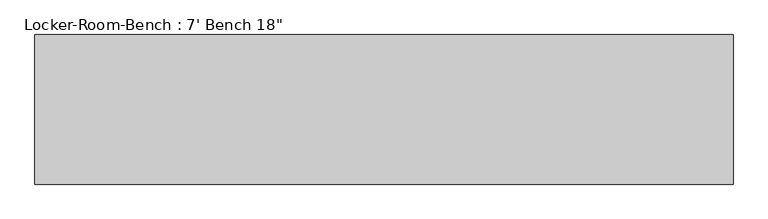
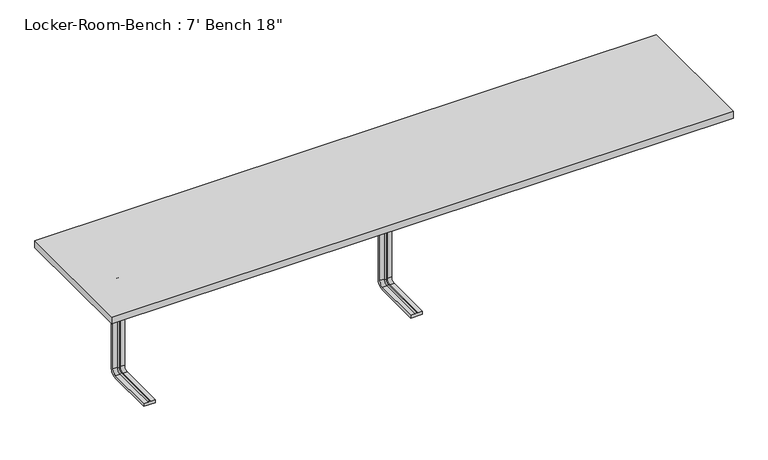
"""IFC4 building model written with IfcOpenShell, lengths in millimetres: proxy geometry."""

import ifcopenshell
import ifcopenshell.guid

model = None  # the IFC model being written
_history = None  # IfcOwnerHistory: only IFC2X3 demands one
_inside = {}  # id of a spatial element -> (the spatial element, [elements in it])
_under = {}  # id of a project, library or spatial element -> (it, [spatial elements below it])
_declared = {}  # id of a project -> (the project, [libraries it declares])
_typed = {}  # id of a type object -> (the type object, [elements of that type])
_made_of = {}  # id of a material, layer set ... -> (it, [elements and type objects made of it])


def new_model(schema):
    """Start an empty IFC model of exactly this schema.

    Asked for "IFC4X3", IfcOpenShell would pick the latest addendum, in which some entities
    have other attributes; the version numbers below select the first issue.
    IFC2X3 requires an IfcOwnerHistory on every rooted entity: one is made here for all.
    """
    global model, _history
    if schema == "IFC4X3":
        model = ifcopenshell.file(schema_version=(4, 3, 0, 0))
    else:
        model = ifcopenshell.file(schema=schema)
    _inside.clear()
    _under.clear()
    _declared.clear()
    _typed.clear()
    _made_of.clear()
    _history = None
    if model.schema == "IFC2X3":
        org = make("IfcOrganization", Name="unknown")
        user = make(
            "IfcPersonAndOrganization",
            ThePerson=make("IfcPerson", FamilyName="unknown"),
            TheOrganization=org,
        )
        app = make(
            "IfcApplication",
            ApplicationDeveloper=org,
            Version="unknown",
            ApplicationFullName="unknown",
            ApplicationIdentifier="unknown",
        )
        _history = make(
            "IfcOwnerHistory",
            OwningUser=user,
            OwningApplication=app,
            ChangeAction="ADDED",
            CreationDate=0,
        )
    return model


def make(cls, **values):
    """One entity of the class cls with the attributes given. An attribute that is None is left unset."""
    return model.create_entity(
        cls, **{name: value for name, value in values.items() if value is not None}
    )


def rooted(cls, **values):
    """An entity with a GlobalId (a new one), such as an element, a storey or a relation."""
    return make(cls, GlobalId=ifcopenshell.guid.new(), OwnerHistory=_history, **values)


def si_unit(unit_type, name, prefix=None):
    """IfcSIUnit, for example si_unit("LENGTHUNIT", "METRE", prefix="MILLI")."""
    return make("IfcSIUnit", UnitType=unit_type, Prefix=prefix, Name=name)


def assignment(units):
    """IfcUnitAssignment: the units of a project."""
    return None if units is None else make("IfcUnitAssignment", Units=units)


def point(xyz):
    """IfcCartesianPoint."""
    return None if xyz is None else make("IfcCartesianPoint", Coordinates=xyz)


def direction(xyz):
    """IfcDirection."""
    return None if xyz is None else make("IfcDirection", DirectionRatios=xyz)


def frame(location, z_axis=None, x_axis=None):
    """IfcAxis2Placement3D, a coordinate frame: its origin and axes. An axis left out is left unset."""
    return make(
        "IfcAxis2Placement3D",
        Location=point(location),
        Axis=direction(z_axis),
        RefDirection=direction(x_axis),
    )


def origin():
    """The frame at (0, 0, 0) with its axes left unset."""
    return frame((0.0, 0.0, 0.0))


def place(relative_to, where):
    """IfcLocalPlacement: puts the frame where relative to a parent placement (None: the world)."""
    return make(
        "IfcLocalPlacement", PlacementRelTo=relative_to, RelativePlacement=where
    )


def context(
    kind, dimensions, precision=None, world=None, true_north=None, identifier=None
):
    """IfcGeometricRepresentationContext, for example the 3D "Model" context."""
    return make(
        "IfcGeometricRepresentationContext",
        ContextIdentifier=identifier,
        ContextType=kind,
        CoordinateSpaceDimension=dimensions,
        Precision=precision,
        WorldCoordinateSystem=world,
        TrueNorth=true_north,
    )


def project(units=None, contexts=None):
    """IfcProject with its units and contexts."""
    return rooted(
        "IfcProject",
        Name="project",
        RepresentationContexts=contexts,
        UnitsInContext=assignment(units),
    )


def spatial(cls, under=None, at=None, **own):
    """A site, building, storey or space (cls), placed at a placement, below another one or the project."""
    s = rooted(cls, ObjectPlacement=at, **own)
    if under is not None:
        _under.setdefault(under.id(), (under, []))[1].append(s)
    return s


def polyline(points):
    """IfcPolyline through the points."""
    return make("IfcPolyline", Points=[point(p) for p in points])


def circle_curve(where, radius):
    """IfcCircle in the frame where."""
    return make("IfcCircle", Position=where, Radius=radius)


def ellipse_curve(where, semi_axis1, semi_axis2):
    """IfcEllipse in the frame where."""
    return make(
        "IfcEllipse", Position=where, SemiAxis1=semi_axis1, SemiAxis2=semi_axis2
    )


def trimmed(basis, trim1, trim2, sense, master):
    """IfcTrimmedCurve: the piece of a basis curve between two trims."""
    return make(
        "IfcTrimmedCurve",
        BasisCurve=basis,
        Trim1=trim1,
        Trim2=trim2,
        SenseAgreement=sense,
        MasterRepresentation=master,
    )


def outline(outer, holes=None, kind="AREA"):
    """IfcArbitraryClosedProfileDef: a profile drawn as a closed curve; with holes, ...WithVoids."""
    if holes is None:
        return make("IfcArbitraryClosedProfileDef", ProfileType=kind, OuterCurve=outer)
    return make(
        "IfcArbitraryProfileDefWithVoids",
        ProfileType=kind,
        OuterCurve=outer,
        InnerCurves=holes,
    )


def extrude(swept, where, along, depth):
    """IfcExtrudedAreaSolid: the profile swept, set in the frame where, extruded along a direction by depth."""
    return make(
        "IfcExtrudedAreaSolid",
        SweptArea=swept,
        Position=where,
        ExtrudedDirection=direction(along),
        Depth=depth,
    )


def shape(context_of_items, identifier, shape_type, items):
    """IfcShapeRepresentation: the items that make up one representation, for example the "Body"."""
    return make(
        "IfcShapeRepresentation",
        ContextOfItems=context_of_items,
        RepresentationIdentifier=identifier,
        RepresentationType=shape_type,
        Items=items,
    )


def source(mapping_origin, context_of_items, identifier, shape_type, items):
    """IfcRepresentationMap: a shape defined once, which mapped items show again and again."""
    return make(
        "IfcRepresentationMap",
        MappingOrigin=mapping_origin,
        MappedRepresentation=shape(context_of_items, identifier, shape_type, items),
    )


def transform(
    local_origin,
    x_axis=None,
    y_axis=None,
    z_axis=None,
    scale=None,
    scale2=None,
    scale3=None,
    uniform=True,
):
    """IfcCartesianTransformationOperator3D, or its non-uniform kind. x_axis, y_axis, z_axis: its Axis1, 2, 3."""
    if uniform:
        return make(
            "IfcCartesianTransformationOperator3D",
            Axis1=direction(x_axis),
            Axis2=direction(y_axis),
            LocalOrigin=point(local_origin),
            Scale=scale,
            Axis3=direction(z_axis),
        )
    return make(
        "IfcCartesianTransformationOperator3DnonUniform",
        Axis1=direction(x_axis),
        Axis2=direction(y_axis),
        LocalOrigin=point(local_origin),
        Scale=scale,
        Axis3=direction(z_axis),
        Scale2=scale2,
        Scale3=scale3,
    )


def mapped(mapping_source, mapping_target):
    """IfcMappedItem: shows the shape of a source again, moved by a transform."""
    return make(
        "IfcMappedItem", MappingSource=mapping_source, MappingTarget=mapping_target
    )


def made_of(thing, what):
    """Note that an element or type object is made of a material, layer set ...; save() writes the relation."""
    if what is not None:
        _made_of.setdefault(what.id(), (what, []))[1].append(thing)
    return thing


def element(
    cls,
    number,
    at=None,
    inside=None,
    cuts=None,
    type_object=None,
    material=None,
    context=None,
    identifier="Body",
    shape_type=None,
    held_by="IfcProductDefinitionShape",
    body=None,
    shapes=None,
    **own,
):
    """One element of the class cls, such as IfcWall. Its Tag is "e" and its number.

    at: its placement. inside: the storey or other place that contains it. cuts: it is an
    opening in that element (IfcRelVoidsElement). A single representation is given by context,
    identifier, shape_type and body (its items); several are given by shapes. held_by: the class
    of the entity that holds the representations. save() writes the other relations.
    """
    e = rooted(cls, Tag="e%d" % number, ObjectPlacement=at, **own)
    if body is not None:
        shapes = [shape(context, identifier, shape_type, body)]
    if shapes is not None:
        e.Representation = make(held_by, Representations=shapes)
    if inside is not None:
        _inside.setdefault(inside.id(), (inside, []))[1].append(e)
    if cuts is not None:
        rooted(
            "IfcRelVoidsElement", RelatingBuildingElement=cuts, RelatedOpeningElement=e
        )
    if type_object is not None:
        _typed.setdefault(type_object.id(), (type_object, []))[1].append(e)
    return made_of(e, material)


def aggregate(whole, parts):
    """IfcRelAggregates: a whole, such as a stair, and the parts it consists of."""
    return rooted("IfcRelAggregates", RelatingObject=whole, RelatedObjects=parts)


def save(model, path):
    """Write the relations noted so far, then the file.

    IfcRelAggregates (storeys below a building ...), IfcRelContainedInSpatialStructure (elements
    in a storey), IfcRelDefinesByType, IfcRelAssociatesMaterial and IfcRelDeclares: one each for
    every whole, place, type object, material and project.
    """
    for whole, parts in _under.values():
        aggregate(whole, parts)
    for where, things in _inside.values():
        rooted(
            "IfcRelContainedInSpatialStructure",
            RelatedElements=things,
            RelatingStructure=where,
        )
    for kind, things in _typed.values():
        rooted("IfcRelDefinesByType", RelatedObjects=things, RelatingType=kind)
    for what, things in _made_of.values():
        rooted("IfcRelAssociatesMaterial", RelatedObjects=things, RelatingMaterial=what)
    for by, libraries in _declared.values():
        rooted("IfcRelDeclares", RelatingContext=by, RelatedDefinitions=libraries)
    model.write(path)


def plane_surface(at):
    """IfcPlane: the flat surface through the origin of the frame at, square to its z axis."""
    return make("IfcPlane", Position=at)


def cylinder_surface(at, radius):
    """IfcCylindricalSurface: all points at the distance radius from the z axis of the frame at."""
    return make("IfcCylindricalSurface", Position=at, Radius=radius)


def revolved_surface(curve, axis_point, axis_direction):
    """IfcSurfaceOfRevolution: the curve turned about the line through axis_point along axis_direction."""
    return make(
        "IfcSurfaceOfRevolution",
        SweptCurve=make("IfcArbitraryOpenProfileDef", ProfileType="CURVE", Curve=curve),
        AxisPosition=make("IfcAxis1Placement", Location=point(axis_point), Axis=direction(axis_direction)),
    )


def advanced_brep(points, edges, surfaces, faces):
    """IfcAdvancedBrep: a solid bounded by faces that lie on surfaces and meet in shared edges.

    An edge is (start, end): straight between two places in points (the first is 0);
    or (start, end, curve); or (start, end, curve, False) where it runs against its curve.
    A face is (place in surfaces, loops), or (place, loops, False) where it looks against
    its surface's normal. A loop lists edges by number (the first is 1), with a minus sign
    where the edge is run from its end to its start. The first loop is the outer one.
    """
    corners = [point(p) for p in points]
    vertices = [make("IfcVertexPoint", VertexGeometry=c) for c in corners]
    made = []
    for start, end, *more in edges:
        made.append(
            make(
                "IfcEdgeCurve",
                EdgeStart=vertices[start],
                EdgeEnd=vertices[end],
                EdgeGeometry=more[0] if more else make("IfcPolyline", Points=[corners[start], corners[end]]),
                SameSense=more[1] if len(more) > 1 else True,
            )
        )
    hull = []
    for where, loops, *sense in faces:
        bounds = []
        for j, loop in enumerate(loops):
            ring = [make("IfcOrientedEdge", EdgeElement=made[abs(k) - 1], Orientation=k > 0) for k in loop]
            bounds.append(
                make(
                    "IfcFaceOuterBound" if j == 0 else "IfcFaceBound",
                    Bound=make("IfcEdgeLoop", EdgeList=ring),
                    Orientation=True,
                )
            )
        hull.append(make("IfcAdvancedFace", Bounds=bounds, FaceSurface=surfaces[where], SameSense=sense[0] if sense else True))
    return make("IfcAdvancedBrep", Outer=make("IfcClosedShell", CfsFaces=hull))


def proxy_6e2b5f65(model_context):
    return source(origin(), model_context, "Body", "SolidModel", [
        advanced_brep(
        [(-896.8, -193.6, 381.4), (-936.8, -193.6, 381.4), (-936.8, -193.6, 371.4), (-921.8, -193.6, 371.4), (-916.8, -193.6, 369.0684617), (-911.8, -193.6, 371.4), (-896.8, -193.6, 371.4), (-896.8, -25.0, 381.4), (-936.8, -25.0, 381.4), (-936.8, 0.0, 356.4), (-936.8, 0.0, 40.0), (-936.8, -25.0, 15.0), (-936.8, -193.6, 15.0), (-936.8, -193.6, 25.0), (-936.8, -25.0, 25.0), (-936.8, -10.0, 40.0), (-936.8, -10.0, 356.4), (-936.8, -25.0, 371.4), (-921.8, -25.0, 371.4), (-916.8, -25.0, 369.0684617), (-911.8, -25.0, 371.4), (-896.8, -25.0, 371.4), (-896.8, -10.0, 356.4), (-896.8, -10.0, 40.0), (-896.8, -25.0, 25.0), (-896.8, -193.6, 25.0), (-896.8, -193.6, 15.0), (-896.8, -25.0, 15.0), (-896.8, 0.0, 40.0), (-896.8, 0.0, 356.4), (-921.8, -10.0, 356.4), (-916.8, -12.3315383, 356.4), (-911.8, -10.0, 356.4), (-921.8, -10.0, 40.0), (-916.8, -12.3315383, 40.0), (-911.8, -10.0, 40.0), (-921.8, -25.0, 25.0), (-916.8, -25.0, 27.3315383), (-911.8, -25.0, 25.0), (-911.8, -193.6, 25.0), (-916.8, -193.6, 27.3315383), (-921.8, -193.6, 25.0)],
        [
            (0, 1),
            (1, 2),
            (2, 3),
            (3, 4, circle_curve(frame((-917.0996409, -193.6, 374.9529162), z_axis=(0.0, -1.0, 0.0), x_axis=(0.0, 0.0, 1.0)), 5.8920785)),
            (4, 5, circle_curve(frame((-916.5003591, -193.6, 374.9529162), z_axis=(0.0, -1.0, 0.0), x_axis=(0.0, 0.0, 1.0)), 5.8920785)),
            (5, 6),
            (6, 0),
            (0, 7),
            (7, 8),
            (8, 1),
            (8, 9, circle_curve(frame((-936.8, -25.0, 356.4), z_axis=(-1.0, 0.0, 0.0), x_axis=(0.0, 0.0, 1.0)), 25.0)),
            (9, 10),
            (10, 11, circle_curve(frame((-936.8, -25.0, 40.0), z_axis=(-1.0, 0.0, 0.0), x_axis=(0.0, 1.0, 0.0)), 25.0)),
            (11, 12),
            (12, 13),
            (13, 14),
            (14, 15, circle_curve(frame((-936.8, -25.0, 40.0), z_axis=(1.0, 0.0, 0.0), x_axis=(0.0, 1.0, 0.0)), 15.0)),
            (15, 16),
            (16, 17, circle_curve(frame((-936.8, -25.0, 356.4), z_axis=(1.0, 0.0, 0.0), x_axis=(0.0, 0.0, 1.0)), 15.0)),
            (17, 2),
            (17, 18),
            (18, 3),
            (18, 19, circle_curve(frame((-917.0996409, -25.0, 374.9529162), z_axis=(0.0, -1.0, 0.0), x_axis=(0.0, 0.0, 1.0)), 5.8920785)),
            (19, 4),
            (19, 20, circle_curve(frame((-916.5003591, -25.0, 374.9529162), z_axis=(0.0, -1.0, 0.0), x_axis=(0.0, 0.0, 1.0)), 5.8920785)),
            (20, 5),
            (20, 21),
            (21, 6),
            (21, 22, circle_curve(frame((-896.8, -25.0, 356.4), z_axis=(-1.0, 0.0, 0.0), x_axis=(0.0, 0.0, 1.0)), 15.0)),
            (22, 23),
            (23, 24, circle_curve(frame((-896.8, -25.0, 40.0), z_axis=(-1.0, 0.0, 0.0), x_axis=(0.0, 1.0, 0.0)), 15.0)),
            (24, 25),
            (25, 26),
            (26, 27),
            (27, 28, circle_curve(frame((-896.8, -25.0, 40.0), z_axis=(1.0, 0.0, 0.0), x_axis=(0.0, 1.0, 0.0)), 25.0)),
            (28, 29),
            (29, 7, circle_curve(frame((-896.8, -25.0, 356.4), z_axis=(1.0, 0.0, 0.0), x_axis=(0.0, 0.0, 1.0)), 25.0)),
            (29, 9),
            (30, 18, circle_curve(frame((-921.8, -25.0, 356.4), z_axis=(1.0, 0.0, 0.0), x_axis=(0.0, 0.0, 1.0)), 15.0)),
            (16, 30),
            (31, 19, circle_curve(frame((-916.8, -25.0, 356.4), z_axis=(1.0, 0.0, 0.0), x_axis=(0.0, 0.0, 1.0)), 12.6684617)),
            (30, 31, circle_curve(frame((-917.0996409, -6.4470838, 356.4), z_axis=(0.0, 0.0, 1.0), x_axis=(0.0, 1.0, 0.0)), 5.8920785)),
            (32, 20, circle_curve(frame((-911.8, -25.0, 356.4), z_axis=(1.0, 0.0, 0.0), x_axis=(0.0, 0.0, 1.0)), 15.0)),
            (31, 32, circle_curve(frame((-916.5003591, -6.4470838, 356.4), z_axis=(0.0, 0.0, 1.0), x_axis=(0.0, 1.0, 0.0)), 5.8920785)),
            (32, 22),
            (28, 10),
            (15, 33),
            (33, 30),
            (33, 34, circle_curve(frame((-917.0996409, -6.4470838, 40.0), z_axis=(0.0, 0.0, 1.0), x_axis=(0.0, 1.0, 0.0)), 5.8920785)),
            (34, 31),
            (34, 35, circle_curve(frame((-916.5003591, -6.4470838, 40.0), z_axis=(0.0, 0.0, 1.0), x_axis=(0.0, 1.0, 0.0)), 5.8920785)),
            (35, 32),
            (35, 23),
            (27, 11),
            (36, 33, circle_curve(frame((-921.8, -25.0, 40.0), z_axis=(1.0, 0.0, 0.0), x_axis=(0.0, 1.0, 0.0)), 15.0)),
            (14, 36),
            (37, 34, circle_curve(frame((-916.8, -25.0, 40.0), z_axis=(1.0, 0.0, 0.0), x_axis=(0.0, 1.0, 0.0)), 12.6684617)),
            (36, 37, circle_curve(frame((-917.0996409, -25.0, 21.4470838), z_axis=(0.0, 1.0, 0.0), x_axis=(0.0, 0.0, -1.0)), 5.8920785)),
            (38, 35, circle_curve(frame((-911.8, -25.0, 40.0), z_axis=(1.0, 0.0, 0.0), x_axis=(0.0, 1.0, 0.0)), 15.0)),
            (37, 38, circle_curve(frame((-916.5003591, -25.0, 21.4470838), z_axis=(0.0, 1.0, 0.0), x_axis=(0.0, 0.0, -1.0)), 5.8920785)),
            (38, 24),
            (25, 39),
            (39, 40, circle_curve(frame((-916.5003591, -193.6, 21.4470838), z_axis=(0.0, -1.0, 0.0), x_axis=(0.0, 0.0, -1.0)), 5.8920785)),
            (40, 41, circle_curve(frame((-917.0996409, -193.6, 21.4470838), z_axis=(0.0, -1.0, 0.0), x_axis=(0.0, 0.0, -1.0)), 5.8920785)),
            (41, 13),
            (12, 26),
            (41, 36),
            (40, 37),
            (39, 38),
        ],
        [
            plane_surface(frame((-916.8, -193.6, 381.4), z_axis=(0.0, -1.0, 0.0), x_axis=(1.0, 0.0, 0.0))),
            plane_surface(frame((-896.8, -193.6, 381.4), z_axis=(0.0, 0.0, 1.0), x_axis=(0.0, 1.0, 0.0))),
            plane_surface(frame((-936.8, -193.6, 381.4), z_axis=(-1.0, 0.0, 0.0), x_axis=(0.0, 1.0, 0.0))),
            plane_surface(frame((-936.8, -193.6, 371.4), z_axis=(0.0, 0.0, -1.0), x_axis=(0.0, 1.0, 0.0))),
            cylinder_surface(frame((-917.0996409, -193.6, 374.9529162), z_axis=(0.0, -1.0, 0.0), x_axis=(0.0, 0.0, 1.0)), 5.8920785),
            cylinder_surface(frame((-916.5003591, -193.6, 374.9529162), z_axis=(0.0, -1.0, 0.0), x_axis=(0.0, 0.0, 1.0)), 5.8920785),
            plane_surface(frame((-911.8, -193.6, 371.4), z_axis=(0.0, 0.0, -1.0), x_axis=(0.0, 1.0, 0.0))),
            plane_surface(frame((-896.8, -193.6, 371.4), z_axis=(1.0, 0.0, 0.0), x_axis=(0.0, 1.0, 0.0))),
            cylinder_surface(frame((-916.8, -25.0, 356.4), z_axis=(-1.0, 0.0, 0.0), x_axis=(0.0, 0.0, 1.0)), 25.0),
            revolved_surface(polyline([(-936.8, -25.0, 371.4), (-921.8, -25.0, 371.4)]), (-916.8, -25.0, 356.4), (-1.0, 0.0, 0.0)),
            revolved_surface(trimmed(ellipse_curve(frame((-917.0996409, -25.0, 374.9529162), z_axis=(0.0, -1.0, 0.0), x_axis=(0.0, 0.0, 1.0)), 5.8920785, 5.8920785), [point((-921.8, -25.0, 371.4))], [point((-916.8, -25.0, 369.0684617))], True, "CARTESIAN"), (-916.8, -25.0, 356.4), (-1.0, 0.0, 0.0)),
            revolved_surface(trimmed(ellipse_curve(frame((-916.5003591, -25.0, 374.9529162), z_axis=(0.0, -1.0, 0.0), x_axis=(0.0, 0.0, 1.0)), 5.8920785, 5.8920785), [point((-916.8, -25.0, 369.0684617))], [point((-911.8, -25.0, 371.4))], True, "CARTESIAN"), (-916.8, -25.0, 356.4), (-1.0, 0.0, 0.0)),
            revolved_surface(polyline([(-911.8, -25.0, 371.4), (-896.8, -25.0, 371.4)]), (-916.8, -25.0, 356.4), (-1.0, 0.0, 0.0)),
            plane_surface(frame((-896.8, 0.0, 356.4), z_axis=(0.0, 1.0, 0.0), x_axis=(0.0, 0.0, -1.0))),
            plane_surface(frame((-936.8, -10.0, 356.4), z_axis=(0.0, -1.0, 0.0), x_axis=(0.0, 0.0, -1.0))),
            cylinder_surface(frame((-917.0996409, -6.4470838, 356.4), z_axis=(0.0, 0.0, 1.0), x_axis=(0.0, 1.0, 0.0)), 5.8920785),
            cylinder_surface(frame((-916.5003591, -6.4470838, 356.4), z_axis=(0.0, 0.0, 1.0), x_axis=(0.0, 1.0, 0.0)), 5.8920785),
            plane_surface(frame((-911.8, -10.0, 356.4), z_axis=(0.0, -1.0, 0.0), x_axis=(0.0, 0.0, -1.0))),
            cylinder_surface(frame((-916.8, -25.0, 40.0), z_axis=(-1.0, 0.0, 0.0), x_axis=(0.0, 1.0, 0.0)), 25.0),
            revolved_surface(polyline([(-936.8, -10.0, 40.0), (-921.8, -10.0, 40.0)]), (-916.8, -25.0, 40.0), (-1.0, 0.0, 0.0)),
            revolved_surface(trimmed(ellipse_curve(frame((-917.0996409, -6.4470838, 40.0), z_axis=(0.0, 0.0, 1.0), x_axis=(0.0, 1.0, 0.0)), 5.8920785, 5.8920785), [point((-921.8, -10.0, 40.0))], [point((-916.8, -12.3315383, 40.0))], True, "CARTESIAN"), (-916.8, -25.0, 40.0), (-1.0, 0.0, 0.0)),
            revolved_surface(trimmed(ellipse_curve(frame((-916.5003591, -6.4470838, 40.0), z_axis=(0.0, 0.0, 1.0), x_axis=(0.0, 1.0, 0.0)), 5.8920785, 5.8920785), [point((-916.8, -12.3315383, 40.0))], [point((-911.8, -10.0, 40.0))], True, "CARTESIAN"), (-916.8, -25.0, 40.0), (-1.0, 0.0, 0.0)),
            revolved_surface(polyline([(-911.8, -10.0, 40.0), (-896.8, -10.0, 40.0)]), (-916.8, -25.0, 40.0), (-1.0, 0.0, 0.0)),
            plane_surface(frame((-916.8, -193.6, 15.0), z_axis=(0.0, -1.0, 0.0), x_axis=(1.0, 0.0, 0.0))),
            plane_surface(frame((-896.8, -25.0, 15.0), z_axis=(0.0, 0.0, -1.0), x_axis=(0.0, -1.0, 0.0))),
            plane_surface(frame((-936.8, -25.0, 25.0), z_axis=(0.0, 0.0, 1.0), x_axis=(0.0, -1.0, 0.0))),
            cylinder_surface(frame((-917.0996409, -25.0, 21.4470838), z_axis=(0.0, 1.0, 0.0), x_axis=(0.0, 0.0, -1.0)), 5.8920785),
            cylinder_surface(frame((-916.5003591, -25.0, 21.4470838), z_axis=(0.0, 1.0, 0.0), x_axis=(0.0, 0.0, -1.0)), 5.8920785),
            plane_surface(frame((-911.8, -25.0, 25.0), z_axis=(0.0, 0.0, 1.0), x_axis=(0.0, -1.0, 0.0))),
        ],
        [
            (0, [[1, 2, 3, 4, 5, 6, 7]]),
            (1, [[-1, 8, 9, 10]]),
            (2, [[-2, -10, 11, 12, 13, 14, 15, 16, 17, 18, 19, 20]]),
            (3, [[-3, -20, 21, 22]]),
            (4, [[-4, -22, 23, 24]]),
            (5, [[-5, -24, 25, 26]]),
            (6, [[-6, -26, 27, 28]]),
            (7, [[-7, -28, 29, 30, 31, 32, 33, 34, 35, 36, 37, -8]]),
            (8, [[-11, -9, -37, 38]]),
            (9, [[39, -21, -19, 40]]),
            (10, [[41, -23, -39, 42]]),
            (11, [[43, -25, -41, 44]]),
            (12, [[-29, -27, -43, 45]]),
            (13, [[-38, -36, 46, -12]]),
            (14, [[-40, -18, 47, 48]]),
            (15, [[-42, -48, 49, 50]]),
            (16, [[-44, -50, 51, 52]]),
            (17, [[-45, -52, 53, -30]]),
            (18, [[-13, -46, -35, 54]]),
            (19, [[55, -47, -17, 56]]),
            (20, [[57, -49, -55, 58]]),
            (21, [[59, -51, -57, 60]]),
            (22, [[-31, -53, -59, 61]]),
            (23, [[-33, 62, 63, 64, 65, -15, 66]]),
            (24, [[-54, -34, -66, -14]]),
            (25, [[-56, -16, -65, 67]]),
            (26, [[-58, -67, -64, 68]]),
            (27, [[-60, -68, -63, 69]]),
            (28, [[-61, -69, -62, -32]]),
        ],
    ),
        advanced_brep(
        [(20.0, -193.6, 381.4), (-20.0, -193.6, 381.4), (-20.0, -193.6, 371.4), (-5.0, -193.6, 371.4), (0.0, -193.6, 369.0684617), (5.0, -193.6, 371.4), (20.0, -193.6, 371.4), (20.0, -25.0, 381.4), (-20.0, -25.0, 381.4), (-20.0, 0.0, 356.4), (-20.0, 0.0, 40.0), (-20.0, -25.0, 15.0), (-20.0, -193.6, 15.0), (-20.0, -193.6, 25.0), (-20.0, -25.0, 25.0), (-20.0, -10.0, 40.0), (-20.0, -10.0, 356.4), (-20.0, -25.0, 371.4), (-5.0, -25.0, 371.4), (0.0, -25.0, 369.0684617), (5.0, -25.0, 371.4), (20.0, -25.0, 371.4), (20.0, -10.0, 356.4), (20.0, -10.0, 40.0), (20.0, -25.0, 25.0), (20.0, -193.6, 25.0), (20.0, -193.6, 15.0), (20.0, -25.0, 15.0), (20.0, 0.0, 40.0), (20.0, 0.0, 356.4), (-5.0, -10.0, 356.4), (0.0, -12.3315383, 356.4), (5.0, -10.0, 356.4), (-5.0, -10.0, 40.0), (0.0, -12.3315383, 40.0), (5.0, -10.0, 40.0), (-5.0, -25.0, 25.0), (0.0, -25.0, 27.3315383), (5.0, -25.0, 25.0), (5.0, -193.6, 25.0), (0.0, -193.6, 27.3315383), (-5.0, -193.6, 25.0)],
        [
            (0, 1),
            (1, 2),
            (2, 3),
            (3, 4, circle_curve(frame((-0.2996409, -193.6, 374.9529162), z_axis=(0.0, -1.0, 0.0), x_axis=(0.0, 0.0, 1.0)), 5.8920785)),
            (4, 5, circle_curve(frame((0.2996409, -193.6, 374.9529162), z_axis=(0.0, -1.0, 0.0), x_axis=(0.0, 0.0, 1.0)), 5.8920785)),
            (5, 6),
            (6, 0),
            (0, 7),
            (7, 8),
            (8, 1),
            (8, 9, circle_curve(frame((-20.0, -25.0, 356.4), z_axis=(-1.0, 0.0, 0.0), x_axis=(0.0, 0.0, 1.0)), 25.0)),
            (9, 10),
            (10, 11, circle_curve(frame((-20.0, -25.0, 40.0), z_axis=(-1.0, 0.0, 0.0), x_axis=(0.0, 1.0, 0.0)), 25.0)),
            (11, 12),
            (12, 13),
            (13, 14),
            (14, 15, circle_curve(frame((-20.0, -25.0, 40.0), z_axis=(1.0, 0.0, 0.0), x_axis=(0.0, 1.0, 0.0)), 15.0)),
            (15, 16),
            (16, 17, circle_curve(frame((-20.0, -25.0, 356.4), z_axis=(1.0, 0.0, 0.0), x_axis=(0.0, 0.0, 1.0)), 15.0)),
            (17, 2),
            (17, 18),
            (18, 3),
            (18, 19, circle_curve(frame((-0.2996409, -25.0, 374.9529162), z_axis=(0.0, -1.0, 0.0), x_axis=(0.0, 0.0, 1.0)), 5.8920785)),
            (19, 4),
            (19, 20, circle_curve(frame((0.2996409, -25.0, 374.9529162), z_axis=(0.0, -1.0, 0.0), x_axis=(0.0, 0.0, 1.0)), 5.8920785)),
            (20, 5),
            (20, 21),
            (21, 6),
            (21, 22, circle_curve(frame((20.0, -25.0, 356.4), z_axis=(-1.0, 0.0, 0.0), x_axis=(0.0, 0.0, 1.0)), 15.0)),
            (22, 23),
            (23, 24, circle_curve(frame((20.0, -25.0, 40.0), z_axis=(-1.0, 0.0, 0.0), x_axis=(0.0, 1.0, 0.0)), 15.0)),
            (24, 25),
            (25, 26),
            (26, 27),
            (27, 28, circle_curve(frame((20.0, -25.0, 40.0), z_axis=(1.0, 0.0, 0.0), x_axis=(0.0, 1.0, 0.0)), 25.0)),
            (28, 29),
            (29, 7, circle_curve(frame((20.0, -25.0, 356.4), z_axis=(1.0, 0.0, 0.0), x_axis=(0.0, 0.0, 1.0)), 25.0)),
            (29, 9),
            (30, 18, circle_curve(frame((-5.0, -25.0, 356.4), z_axis=(1.0, 0.0, 0.0), x_axis=(0.0, 0.0, 1.0)), 15.0)),
            (16, 30),
            (31, 19, circle_curve(frame((0.0, -25.0, 356.4), z_axis=(1.0, 0.0, 0.0), x_axis=(0.0, 0.0, 1.0)), 12.6684617)),
            (30, 31, circle_curve(frame((-0.2996409, -6.4470838, 356.4), z_axis=(0.0, 0.0, 1.0), x_axis=(0.0, 1.0, 0.0)), 5.8920785)),
            (32, 20, circle_curve(frame((5.0, -25.0, 356.4), z_axis=(1.0, 0.0, 0.0), x_axis=(0.0, 0.0, 1.0)), 15.0)),
            (31, 32, circle_curve(frame((0.2996409, -6.4470838, 356.4), z_axis=(0.0, 0.0, 1.0), x_axis=(0.0, 1.0, 0.0)), 5.8920785)),
            (32, 22),
            (28, 10),
            (15, 33),
            (33, 30),
            (33, 34, circle_curve(frame((-0.2996409, -6.4470838, 40.0), z_axis=(0.0, 0.0, 1.0), x_axis=(0.0, 1.0, 0.0)), 5.8920785)),
            (34, 31),
            (34, 35, circle_curve(frame((0.2996409, -6.4470838, 40.0), z_axis=(0.0, 0.0, 1.0), x_axis=(0.0, 1.0, 0.0)), 5.8920785)),
            (35, 32),
            (35, 23),
            (27, 11),
            (36, 33, circle_curve(frame((-5.0, -25.0, 40.0), z_axis=(1.0, 0.0, 0.0), x_axis=(0.0, 1.0, 0.0)), 15.0)),
            (14, 36),
            (37, 34, circle_curve(frame((0.0, -25.0, 40.0), z_axis=(1.0, 0.0, 0.0), x_axis=(0.0, 1.0, 0.0)), 12.6684617)),
            (36, 37, circle_curve(frame((-0.2996409, -25.0, 21.4470838), z_axis=(0.0, 1.0, 0.0), x_axis=(0.0, 0.0, -1.0)), 5.8920785)),
            (38, 35, circle_curve(frame((5.0, -25.0, 40.0), z_axis=(1.0, 0.0, 0.0), x_axis=(0.0, 1.0, 0.0)), 15.0)),
            (37, 38, circle_curve(frame((0.2996409, -25.0, 21.4470838), z_axis=(0.0, 1.0, 0.0), x_axis=(0.0, 0.0, -1.0)), 5.8920785)),
            (38, 24),
            (25, 39),
            (39, 40, circle_curve(frame((0.2996409, -193.6, 21.4470838), z_axis=(0.0, -1.0, 0.0), x_axis=(0.0, 0.0, -1.0)), 5.8920785)),
            (40, 41, circle_curve(frame((-0.2996409, -193.6, 21.4470838), z_axis=(0.0, -1.0, 0.0), x_axis=(0.0, 0.0, -1.0)), 5.8920785)),
            (41, 13),
            (12, 26),
            (41, 36),
            (40, 37),
            (39, 38),
        ],
        [
            plane_surface(frame((0.0, -193.6, 381.4), z_axis=(0.0, -1.0, 0.0), x_axis=(1.0, 0.0, 0.0))),
            plane_surface(frame((20.0, -193.6, 381.4), z_axis=(0.0, 0.0, 1.0), x_axis=(0.0, 1.0, 0.0))),
            plane_surface(frame((-20.0, -193.6, 381.4), z_axis=(-1.0, 0.0, 0.0), x_axis=(0.0, 1.0, 0.0))),
            plane_surface(frame((-20.0, -193.6, 371.4), z_axis=(0.0, 0.0, -1.0), x_axis=(0.0, 1.0, 0.0))),
            cylinder_surface(frame((-0.2996409, -193.6, 374.9529162), z_axis=(0.0, -1.0, 0.0), x_axis=(0.0, 0.0, 1.0)), 5.8920785),
            cylinder_surface(frame((0.2996409, -193.6, 374.9529162), z_axis=(0.0, -1.0, 0.0), x_axis=(0.0, 0.0, 1.0)), 5.8920785),
            plane_surface(frame((5.0, -193.6, 371.4), z_axis=(0.0, 0.0, -1.0), x_axis=(0.0, 1.0, 0.0))),
            plane_surface(frame((20.0, -193.6, 371.4), z_axis=(1.0, 0.0, 0.0), x_axis=(0.0, 1.0, 0.0))),
            cylinder_surface(frame((0.0, -25.0, 356.4), z_axis=(-1.0, 0.0, 0.0), x_axis=(0.0, 0.0, 1.0)), 25.0),
            revolved_surface(polyline([(-20.0, -25.0, 371.4), (-5.0, -25.0, 371.4)]), (0.0, -25.0, 356.4), (-1.0, 0.0, 0.0)),
            revolved_surface(trimmed(ellipse_curve(frame((-0.2996409, -25.0, 374.9529162), z_axis=(0.0, -1.0, 0.0), x_axis=(0.0, 0.0, 1.0)), 5.8920785, 5.8920785), [point((-5.0, -25.0, 371.4))], [point((0.0, -25.0, 369.0684617))], True, "CARTESIAN"), (0.0, -25.0, 356.4), (-1.0, 0.0, 0.0)),
            revolved_surface(trimmed(ellipse_curve(frame((0.2996409, -25.0, 374.9529162), z_axis=(0.0, -1.0, 0.0), x_axis=(0.0, 0.0, 1.0)), 5.8920785, 5.8920785), [point((0.0, -25.0, 369.0684617))], [point((5.0, -25.0, 371.4))], True, "CARTESIAN"), (0.0, -25.0, 356.4), (-1.0, 0.0, 0.0)),
            revolved_surface(polyline([(5.0, -25.0, 371.4), (20.0, -25.0, 371.4)]), (0.0, -25.0, 356.4), (-1.0, 0.0, 0.0)),
            plane_surface(frame((20.0, 0.0, 356.4), z_axis=(0.0, 1.0, 0.0), x_axis=(0.0, 0.0, -1.0))),
            plane_surface(frame((-20.0, -10.0, 356.4), z_axis=(0.0, -1.0, 0.0), x_axis=(0.0, 0.0, -1.0))),
            cylinder_surface(frame((-0.2996409, -6.4470838, 356.4), z_axis=(0.0, 0.0, 1.0), x_axis=(0.0, 1.0, 0.0)), 5.8920785),
            cylinder_surface(frame((0.2996409, -6.4470838, 356.4), z_axis=(0.0, 0.0, 1.0), x_axis=(0.0, 1.0, 0.0)), 5.8920785),
            plane_surface(frame((5.0, -10.0, 356.4), z_axis=(0.0, -1.0, 0.0), x_axis=(0.0, 0.0, -1.0))),
            cylinder_surface(frame((0.0, -25.0, 40.0), z_axis=(-1.0, 0.0, 0.0), x_axis=(0.0, 1.0, 0.0)), 25.0),
            revolved_surface(polyline([(-20.0, -10.0, 40.0), (-5.0, -10.0, 40.0)]), (0.0, -25.0, 40.0), (-1.0, 0.0, 0.0)),
            revolved_surface(trimmed(ellipse_curve(frame((-0.2996409, -6.4470838, 40.0), z_axis=(0.0, 0.0, 1.0), x_axis=(0.0, 1.0, 0.0)), 5.8920785, 5.8920785), [point((-5.0, -10.0, 40.0))], [point((0.0, -12.3315383, 40.0))], True, "CARTESIAN"), (0.0, -25.0, 40.0), (-1.0, 0.0, 0.0)),
            revolved_surface(trimmed(ellipse_curve(frame((0.2996409, -6.4470838, 40.0), z_axis=(0.0, 0.0, 1.0), x_axis=(0.0, 1.0, 0.0)), 5.8920785, 5.8920785), [point((0.0, -12.3315383, 40.0))], [point((5.0, -10.0, 40.0))], True, "CARTESIAN"), (0.0, -25.0, 40.0), (-1.0, 0.0, 0.0)),
            revolved_surface(polyline([(5.0, -10.0, 40.0), (20.0, -10.0, 40.0)]), (0.0, -25.0, 40.0), (-1.0, 0.0, 0.0)),
            plane_surface(frame((0.0, -193.6, 15.0), z_axis=(0.0, -1.0, 0.0), x_axis=(1.0, 0.0, 0.0))),
            plane_surface(frame((20.0, -25.0, 15.0), z_axis=(0.0, 0.0, -1.0), x_axis=(0.0, -1.0, 0.0))),
            plane_surface(frame((-20.0, -25.0, 25.0), z_axis=(0.0, 0.0, 1.0), x_axis=(0.0, -1.0, 0.0))),
            cylinder_surface(frame((-0.2996409, -25.0, 21.4470838), z_axis=(0.0, 1.0, 0.0), x_axis=(0.0, 0.0, -1.0)), 5.8920785),
            cylinder_surface(frame((0.2996409, -25.0, 21.4470838), z_axis=(0.0, 1.0, 0.0), x_axis=(0.0, 0.0, -1.0)), 5.8920785),
            plane_surface(frame((5.0, -25.0, 25.0), z_axis=(0.0, 0.0, 1.0), x_axis=(0.0, -1.0, 0.0))),
        ],
        [
            (0, [[1, 2, 3, 4, 5, 6, 7]]),
            (1, [[-1, 8, 9, 10]]),
            (2, [[-2, -10, 11, 12, 13, 14, 15, 16, 17, 18, 19, 20]]),
            (3, [[-3, -20, 21, 22]]),
            (4, [[-4, -22, 23, 24]]),
            (5, [[-5, -24, 25, 26]]),
            (6, [[-6, -26, 27, 28]]),
            (7, [[-7, -28, 29, 30, 31, 32, 33, 34, 35, 36, 37, -8]]),
            (8, [[-11, -9, -37, 38]]),
            (9, [[39, -21, -19, 40]]),
            (10, [[41, -23, -39, 42]]),
            (11, [[43, -25, -41, 44]]),
            (12, [[-29, -27, -43, 45]]),
            (13, [[-38, -36, 46, -12]]),
            (14, [[-40, -18, 47, 48]]),
            (15, [[-42, -48, 49, 50]]),
            (16, [[-44, -50, 51, 52]]),
            (17, [[-45, -52, 53, -30]]),
            (18, [[-13, -46, -35, 54]]),
            (19, [[55, -47, -17, 56]]),
            (20, [[57, -49, -55, 58]]),
            (21, [[59, -51, -57, 60]]),
            (22, [[-31, -53, -59, 61]]),
            (23, [[-33, 62, 63, 64, 65, -15, 66]]),
            (24, [[-54, -34, -66, -14]]),
            (25, [[-56, -16, -65, 67]]),
            (26, [[-58, -67, -64, 68]]),
            (27, [[-60, -68, -63, 69]]),
            (28, [[-61, -69, -62, -32]]),
        ],
    ),
        extrude(outline(polyline([(1066.8, 228.6), (1066.8, -228.6), (-1066.8, -228.6), (-1066.8, 228.6), (1066.8, 228.6)])), frame((0.0, 0.0, 381.4), z_axis=(0.0, 0.0, 1.0), x_axis=(1.0, 0.0, 0.0)), (0.0, 0.0, 1.0), 25.0),
    ])


if __name__ == "__main__":
    model = new_model("IFC4")
    model_context = context("Model", 3, world=origin())
    ifc_project = project(units=[si_unit("LENGTHUNIT", "METRE", prefix="MILLI")], contexts=[model_context])
    site = spatial("IfcSite", under=ifc_project)
    building = spatial("IfcBuilding", under=site)
    placement = place(None, origin())
    proxy_shape = proxy_6e2b5f65(model_context)
    element("IfcBuildingElementProxy", 1, Name="Locker-Room-Bench : 7' Bench 18\"", ObjectType="Locker-Room-Bench : 7' Bench 18\"", at=placement, inside=building, context=model_context, shape_type="MappedRepresentation", body=[
        mapped(proxy_shape, transform((0.0, 0.0, 0.0), x_axis=(1.0, 0.0, 0.0), y_axis=(0.0, 1.0, 0.0), z_axis=(0.0, 0.0, 1.0))),
    ])
    save(model, "model.ifc")
